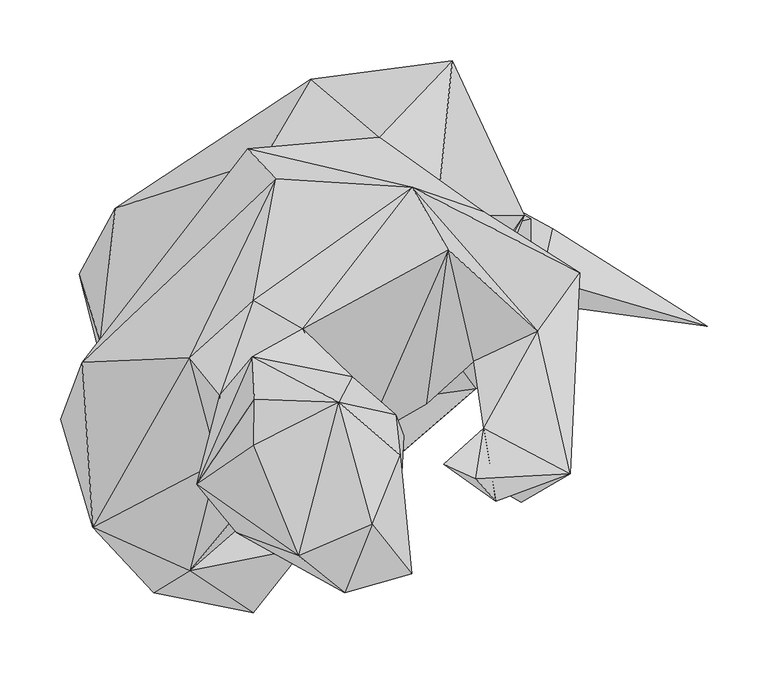
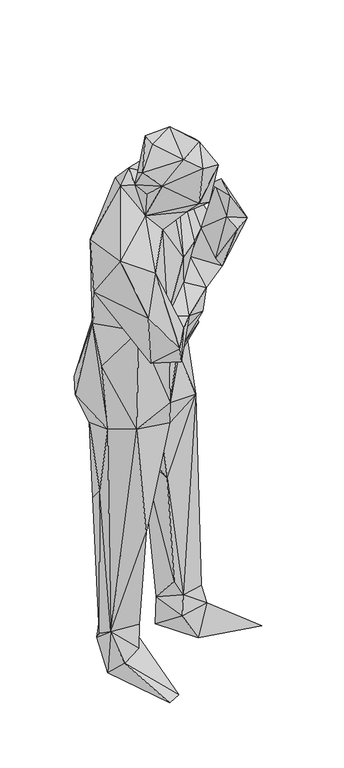
"""IFC4 building model written with IfcOpenShell, lengths in millimetres: geographic element geometry."""

from ifc_helpers import new_model, si_unit, origin, place, context, project, spatial, faceted_brep, source, transform, mapped, element, save


def geographic_element_1367a0b1(model_context):
    return source(origin(), model_context, "Body", "Brep", [
        faceted_brep([(85.5146572, 201.2097239, 545.5716252), (123.7749755, 106.9230735, 205.3771913), (97.4980146, 96.5289026, 537.6577377), (149.744913, 106.9240794, 155.5235684), (94.1596329, 145.5914378, 145.0053751), (177.6510626, 91.9593796, 769.8149681), (57.2514683, 71.6770962, 778.6239386), (62.7880916, 134.3121678, 600.691855), (-30.3934328, 233.0043167, 867.9220676), (126.6252995, 212.6810104, 612.9642129), (-23.2466254, 142.1010494, 780.8532119), (-126.3022721, 174.7217327, 880.889535), (34.5739052, 281.193763, 919.5358157), (-37.2292064, 132.2719455, 511.0177398), (-98.224096, 132.4929595, 523.8251686), (-124.6310771, 103.8257256, 781.9603086), (-17.4049642, 116.8781966, 279.3665528), (-63.7311935, 156.2606543, 130.9667826), (-121.9507679, 54.8931994, 600.2377868), (-98.3911157, 98.3331054, 130.2587092), (-126.5772879, 6.240705, 820.3466535), (-155.7976007, 120.7946464, 866.7109013), (-80.9341371, 72.2781643, 143.342182), (-66.068463, 166.1447734, 64.531289), (-3.6594134, 116.0961166, 121.2956905), (-27.9141534, 130.910784, 4.3994971), (-80.9481367, 87.4578729, 8.3829463), (29.1132871, -80.4270804, 4.931557), (-9.1610346, -101.3424397, 5.8306586), (-61.4939407, 34.2138633, 63.9002174), (-19.6482204, 36.810156, 93.9476043), (-7.8848908, 54.7341779, 151.413098), (-20.3963052, -2.4022714, 473.046422), (57.9205416, 16.1858276, 769.2348957), (-71.5780854, -42.5318033, 831.0618997), (35.4690067, -26.4739897, 864.6716475), (-69.9939057, -50.248675, 1136.146307), (-142.8731382, 8.7959934, 1017.7129507), (20.9943708, -47.126323, 1058.4255457), (66.4755106, -3.5664027, 988.3746505), (102.0625234, 45.2871174, 944.8496699), (176.9359857, 137.3785138, 923.6633778), (163.1724238, 51.1737764, 1019.9331045), (134.7212195, 38.9043912, 1089.9090767), (148.7357914, 7.5898571, 1084.8515034), (210.19575, 169.1491008, 923.2492447), (199.1264969, 162.1563137, 595.5072641), (215.1482999, 128.5695285, 148.7317979), (174.1446704, 190.8525527, 139.6047771), (215.5653387, 166.5378064, 168.2679951), (-4.6895295, 214.1031772, 1145.0673342), (90.9222662, 233.3713472, 1138.5126114), (150.9040445, 296.112448, 955.0178051), (-138.3706182, 65.0803521, 1114.2839193), (-153.2773077, 48.1204353, 1386.9435787), (-17.0339234, 223.9502966, 1304.731369), (118.1873456, 192.0236796, 1472.5033045), (177.0649999, 172.1224487, 1254.6447515), (5.9276694, 198.9574581, 1428.6054373), (-65.126352, 51.8848598, 1518.4425116), (-144.7803527, -87.5118822, 1399.420023), (-170.9843129, 1.088123, 1260.6053352), (-12.7314376, 99.2542133, 1526.342392), (-42.0527495, -33.9628346, 1469.4559574), (-40.2775481, 21.0793819, 1530.1678181), (-94.6866944, -141.5089816, 1239.8500443), (-64.8463219, -123.4639436, 1355.5791378), (-65.8394322, -103.310667, 1068.7307119), (-12.8364488, -157.859832, 1127.0612478), (5.3446037, -132.9750121, 1065.0312901), (71.559079, -58.7526336, 1137.9204988), (29.5273345, -104.5328006, 1143.335104), (9.6840933, -58.5596114, 1158.0038071), (170.3462303, 26.4119841, 1137.6184225), (98.7491533, 16.3018405, 1186.3889694), (141.2479579, 70.5889761, 1103.0635834), (138.2356137, 168.3160067, 1188.7762547), (198.2743889, 136.5914345, 1185.0768328), (136.6594285, 140.4088587, 1239.8700714), (232.9373062, 56.1263375, 1165.3345823), (255.8279037, 121.9557673, 1226.5915871), (221.5630114, 73.7523288, 1290.4727459), (248.1580228, -43.4639081, 1368.2185411), (28.0541684, 75.8675635, 1511.3136768), (147.7896869, 140.529871, 1464.9454355), (177.053988, -6.3467165, 1468.1028128), (168.8610613, 49.104549, 1309.0058565), (79.198949, -15.3397322, 1287.6234055), (129.9446821, 14.2056048, 1301.9230366), (7.7828788, -36.1760855, 1410.7773304), (64.6202937, 6.518736, 1425.6509542), (143.7452286, 62.725082, 1221.8270302), (207.7074647, -67.179583, 1363.353014), (187.9802346, 9.8691145, 1232.1431637), (183.986783, -53.5270423, 1400.0151157), (170.3352481, -47.6033762, 1517.4024105), (186.7831051, -66.2624836, 1471.0510969), (144.0012604, -35.8030424, 1503.6927462), (76.7416656, -37.8322713, 1442.3788786), (68.8867792, 36.3581069, 1520.6437111), (111.1465544, -12.1553726, 1467.6047564), (66.6835308, -118.2183549, 1518.784523), (-40.581584, -39.6064743, 1539.1588211), (-26.2809675, -92.1524093, 1590.2645588), (62.6630783, -141.6520029, 1642.9564953), (117.6212877, -125.7711947, 1626.1996031), (106.5080315, -97.4890068, 1497.2641468), (24.9188151, -111.1955643, 1664.8089886), (85.2556303, -85.0806087, 1682.7840805), (108.3902419, -28.6032315, 1647.562027), (104.5117974, 5.0975755, 1572.3266602), (57.6385073, 15.014695, 1677.2915125), (-59.0836741, -52.2749051, 1618.2377338), (-12.0353596, -20.0162604, 1669.8135138), (-13.2955024, 52.6869483, 1540.880084), (-11.7663285, 17.4729731, 1673.4249592), (140.3948516, 94.9017256, 101.7194912), (103.9287373, 167.0648605, 45.6671603), (224.8214036, 117.7662984, 98.5601321), (189.4953847, 101.2924463, 12.7964448), (180.3123653, 171.4253575, 6.9297827), (233.8204086, 158.2358778, 46.3112295), (360.8467579, 77.9888034, 4.841547)], [[[0, 1, 2]], [[1, 3, 2]], [[1, 0, 4]], [[4, 3, 1]], [[2, 3, 5]], [[5, 6, 2]], [[2, 7, 0]], [[7, 2, 6]], [[7, 8, 0]], [[4, 0, 9]], [[0, 8, 9]], [[7, 10, 8]], [[10, 7, 6]], [[11, 8, 10]], [[9, 8, 12]], [[12, 8, 11]], [[6, 13, 10]], [[14, 15, 10]], [[15, 11, 10]], [[14, 10, 13]], [[6, 16, 13]], [[14, 13, 16]], [[17, 14, 16]], [[18, 14, 19]], [[19, 14, 17]], [[18, 15, 14]], [[20, 21, 15]], [[20, 15, 18]], [[15, 21, 11]], [[18, 22, 20]], [[18, 19, 22]], [[23, 22, 19]], [[19, 17, 23]], [[16, 24, 17]], [[17, 24, 23]], [[24, 25, 23]], [[26, 22, 23]], [[26, 23, 25]], [[27, 25, 24]], [[26, 25, 28]], [[28, 25, 27]], [[26, 28, 29]], [[29, 22, 26]], [[28, 27, 29]], [[29, 27, 24]], [[30, 24, 31]], [[31, 24, 16]], [[29, 24, 30]], [[22, 29, 30]], [[22, 30, 31]], [[31, 32, 22]], [[31, 16, 32]], [[6, 33, 16]], [[16, 33, 32]], [[32, 34, 22]], [[32, 33, 34]], [[5, 33, 6]], [[34, 33, 35]], [[5, 35, 33]], [[34, 35, 36]], [[37, 34, 36]], [[20, 22, 34]], [[20, 34, 37]], [[36, 35, 38]], [[39, 35, 40]], [[5, 40, 35]], [[35, 39, 38]], [[5, 41, 40]], [[42, 39, 40]], [[40, 41, 42]], [[42, 43, 39]], [[43, 44, 39]], [[44, 38, 39]], [[45, 43, 42]], [[41, 45, 42]], [[9, 41, 46]], [[46, 41, 5]], [[45, 41, 9]], [[47, 46, 5]], [[48, 9, 46]], [[49, 48, 46]], [[49, 46, 47]], [[9, 12, 45]], [[4, 9, 48]], [[50, 12, 11]], [[12, 51, 52]], [[45, 12, 52]], [[50, 51, 12]], [[11, 53, 50]], [[21, 53, 11]], [[54, 55, 50]], [[53, 54, 50]], [[50, 55, 51]], [[55, 56, 57]], [[57, 51, 55]], [[54, 58, 55]], [[58, 56, 55]], [[58, 54, 59]], [[60, 59, 54]], [[53, 61, 54]], [[61, 60, 54]], [[62, 56, 58]], [[58, 59, 62]], [[60, 63, 59]], [[62, 59, 64]], [[63, 64, 59]], [[60, 61, 65]], [[60, 65, 66]], [[63, 60, 66]], [[67, 65, 61]], [[53, 36, 61]], [[61, 36, 67]], [[67, 68, 65]], [[65, 68, 66]], [[38, 69, 67]], [[67, 69, 68]], [[38, 67, 36]], [[53, 37, 36]], [[53, 21, 20]], [[37, 53, 20]], [[44, 70, 38]], [[70, 69, 38]], [[70, 71, 69]], [[69, 71, 68]], [[68, 71, 66]], [[71, 72, 66]], [[71, 70, 72]], [[70, 73, 74]], [[72, 70, 74]], [[44, 73, 70]], [[73, 44, 43]], [[43, 45, 75]], [[43, 75, 73]], [[45, 76, 75]], [[52, 76, 45]], [[75, 77, 73]], [[75, 78, 77]], [[76, 78, 75]], [[76, 52, 51]], [[76, 51, 78]], [[78, 51, 57]], [[77, 78, 57]], [[79, 73, 77]], [[80, 79, 77]], [[77, 57, 80]], [[57, 56, 80]], [[80, 81, 82]], [[80, 56, 81]], [[79, 80, 82]], [[83, 84, 56]], [[84, 81, 56]], [[62, 83, 56]], [[81, 85, 82]], [[85, 81, 86]], [[84, 86, 81]], [[83, 87, 84]], [[84, 88, 86]], [[84, 87, 88]], [[72, 87, 89]], [[87, 72, 74]], [[90, 89, 87]], [[87, 83, 90]], [[87, 74, 88]], [[86, 88, 91]], [[91, 88, 74]], [[74, 73, 91]], [[86, 91, 79]], [[79, 91, 73]], [[82, 92, 79]], [[86, 79, 93]], [[93, 79, 92]], [[92, 94, 93]], [[82, 94, 92]], [[95, 82, 85]], [[82, 96, 94]], [[82, 95, 96]], [[94, 86, 93]], [[86, 94, 85]], [[94, 96, 85]], [[85, 96, 97]], [[95, 85, 97]], [[97, 96, 95]], [[89, 90, 98]], [[99, 90, 83]], [[100, 90, 99]], [[98, 90, 100]], [[66, 72, 89]], [[63, 66, 89]], [[98, 63, 89]], [[98, 101, 63]], [[63, 102, 64]], [[63, 101, 103]], [[102, 63, 103]], [[101, 104, 103]], [[105, 104, 101]], [[101, 98, 106]], [[105, 101, 106]], [[103, 104, 107]], [[107, 104, 108]], [[105, 108, 104]], [[105, 106, 109]], [[105, 109, 108]], [[106, 110, 109]], [[100, 106, 98]], [[106, 100, 110]], [[109, 110, 111]], [[111, 108, 109]], [[107, 108, 111]], [[103, 107, 112]], [[113, 107, 111]], [[112, 107, 113]], [[111, 99, 114]], [[110, 99, 111]], [[114, 115, 111]], [[113, 111, 115]], [[110, 100, 99]], [[83, 114, 99]], [[112, 114, 64]], [[112, 115, 114]], [[114, 83, 64]], [[103, 112, 64]], [[112, 113, 115]], [[83, 62, 64]], [[64, 102, 103]], [[116, 3, 4]], [[4, 117, 116]], [[117, 4, 48]], [[3, 47, 5]], [[3, 116, 118]], [[47, 3, 118]], [[116, 117, 119]], [[116, 119, 118]], [[120, 119, 117]], [[117, 48, 121]], [[117, 121, 120]], [[122, 118, 119]], [[120, 122, 119]], [[118, 122, 121]], [[118, 48, 47]], [[118, 121, 48]], [[47, 48, 49]], [[120, 121, 122]]]),
    ])


if __name__ == "__main__":
    model = new_model("IFC4")
    model_context = context("Model", 3, world=origin())
    ifc_project = project(units=[si_unit("LENGTHUNIT", "METRE", prefix="MILLI")], contexts=[model_context])
    site = spatial("IfcSite", under=ifc_project)
    building = spatial("IfcBuilding", under=site)
    placement = place(None, origin())
    geographic_element_shape = geographic_element_1367a0b1(model_context)
    element("IfcGeographicElement", 1, at=placement, inside=building, context=model_context, shape_type="MappedRepresentation", body=[
        mapped(geographic_element_shape, transform((0.0, 0.0, 0.0), x_axis=(1.0, 0.0, 0.0), y_axis=(0.0, 1.0, 0.0), z_axis=(0.0, 0.0, 1.0))),
    ])
    save(model, "model.ifc")
